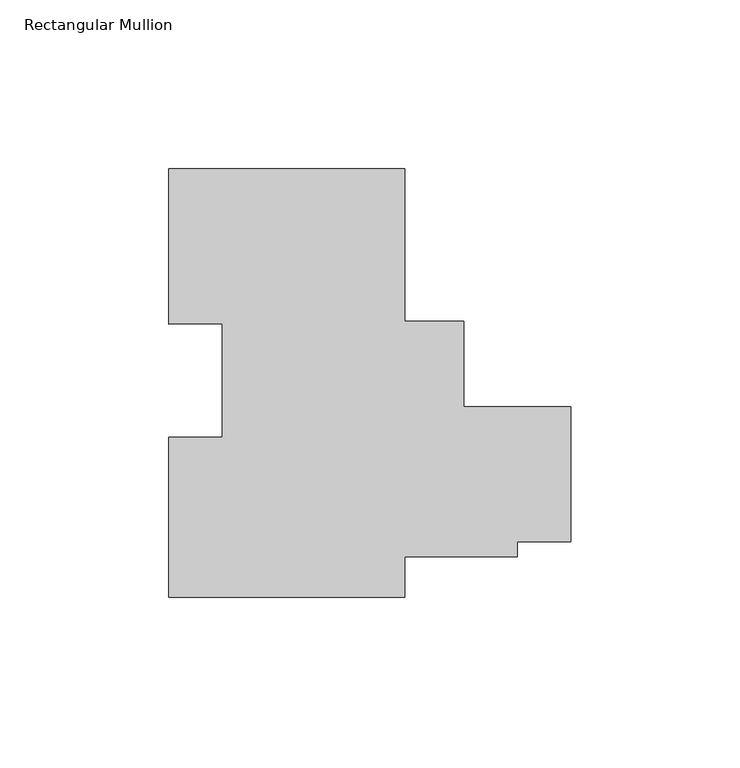
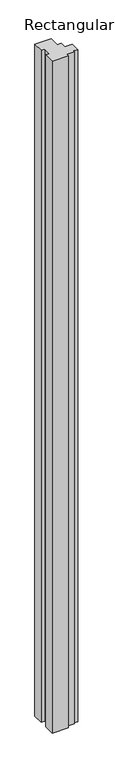
"""IFC4 building model written with IfcOpenShell, lengths in millimetres: member geometry, Rectangular Mullion."""

from ifc_helpers import new_model, si_unit, frame, origin, place, context, project, spatial, polyline, outline, extrude, source, transform, mapped, element, save


def rectangular_mullion_ce0ff709(model_context):
    return source(origin(), model_context, "Body", "SweptSolid", [
        extrude(outline(polyline([(-49.2233693, 46.83125), (-49.2233693, 1.6575454), (-31.74817, 1.6575454), (-31.74817, -23.7424546), (0.0, -23.7424546), (0.0, -63.7394322), (-15.8740905, -63.7394322), (-15.8740905, -68.1844322), (-49.22337, -68.1844322), (-49.22337, -80.16875), (-119.1656857, -80.16875), (-119.1656857, -32.70885), (-103.2906857, -32.70885), (-103.2906857, 0.9159621), (-119.1656857, 0.7219129), (-119.1656857, 46.83125), (-49.2233693, 46.83125)])), frame((0.0, 0.0, -3048.0), z_axis=(0.0, 0.0, 1.0), x_axis=(1.0, 0.0, 0.0)), (0.0, 0.0, 1.0), 3048.0),
    ])


if __name__ == "__main__":
    model = new_model("IFC4")
    model_context = context("Model", 3, world=origin())
    ifc_project = project(units=[si_unit("LENGTHUNIT", "METRE", prefix="MILLI")], contexts=[model_context])
    site = spatial("IfcSite", under=ifc_project)
    building = spatial("IfcBuilding", under=site)
    placement = place(None, origin())
    rectangular_mullion_shape = rectangular_mullion_ce0ff709(model_context)
    element("IfcMember", 1, ObjectType="Rectangular Mullion", at=placement, inside=building, context=model_context, shape_type="MappedRepresentation", body=[
        mapped(rectangular_mullion_shape, transform((0.0, 0.0, 0.0), x_axis=(1.0, 0.0, 0.0), y_axis=(0.0, 1.0, 0.0), z_axis=(0.0, 0.0, 1.0))),
    ])
    save(model, "model.ifc")
